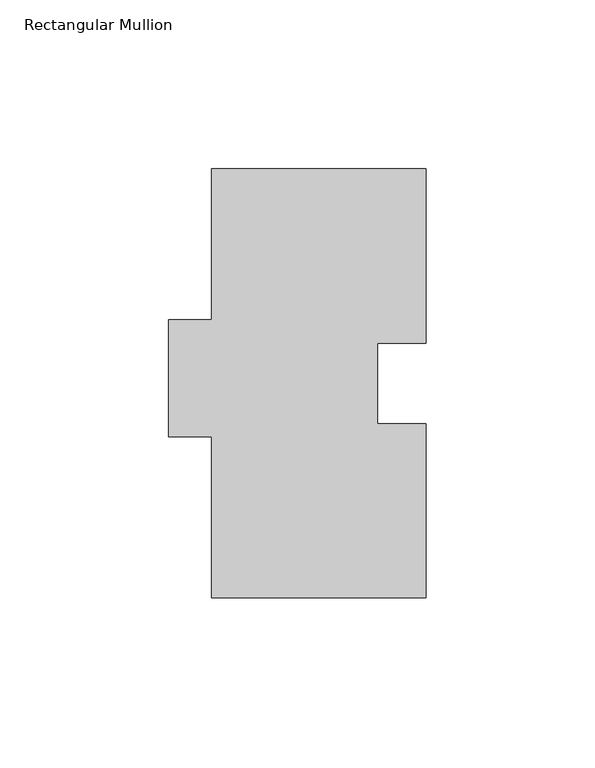
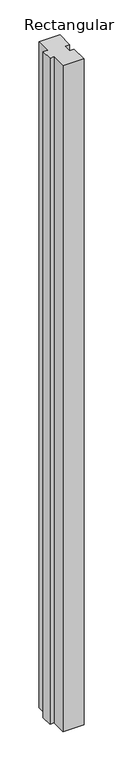
"""IFC4 building model written with IfcOpenShell, lengths in millimetres: member geometry, Rectangular Mullion."""

from ifc_helpers import new_model, si_unit, frame, origin, place, context, project, spatial, polyline, outline, extrude, source, transform, mapped, element, save


def rectangular_mullion_db25923b(model_context):
    return source(origin(), model_context, "Body", "SweptSolid", [
        extrude(outline(polyline([(31.75, 127.0), (31.75, 75.3999), (17.4498, 75.3999), (17.4498, 51.6001), (31.75, 51.6001), (31.75, 0.0), (-31.75, 0.0), (-31.75, 47.625), (-44.45, 47.625), (-44.45, 82.296), (-31.75, 82.296), (-31.75, 127.0), (31.75, 127.0)])), frame((0.0, 0.0, -2133.6), z_axis=(0.0, 0.0, 1.0), x_axis=(1.0, 0.0, 0.0)), (0.0, 0.0, 1.0), 2133.6),
    ])


if __name__ == "__main__":
    model = new_model("IFC4")
    model_context = context("Model", 3, world=origin())
    ifc_project = project(units=[si_unit("LENGTHUNIT", "METRE", prefix="MILLI")], contexts=[model_context])
    site = spatial("IfcSite", under=ifc_project)
    building = spatial("IfcBuilding", under=site)
    placement = place(None, origin())
    rectangular_mullion_shape = rectangular_mullion_db25923b(model_context)
    element("IfcMember", 1, ObjectType="Rectangular Mullion", at=placement, inside=building, context=model_context, shape_type="MappedRepresentation", body=[
        mapped(rectangular_mullion_shape, transform((0.0, 0.0, 0.0), x_axis=(1.0, 0.0, 0.0), y_axis=(0.0, 1.0, 0.0), z_axis=(0.0, 0.0, 1.0))),
    ])
    save(model, "model.ifc")
